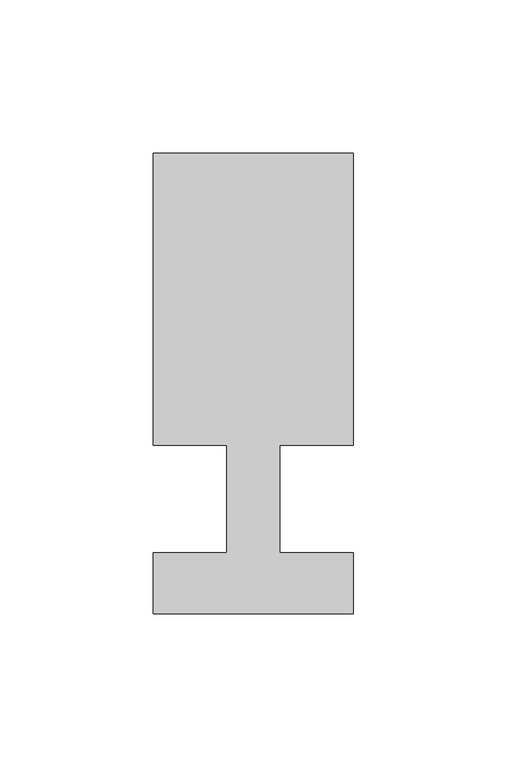
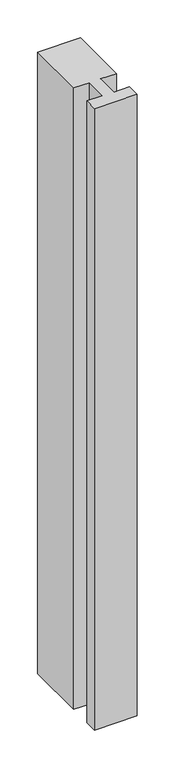
"""IFC4 building model written with IfcOpenShell, lengths in millimetres: member geometry."""

import ifcopenshell
import ifcopenshell.guid

model = None  # the IFC model being written
_history = None  # IfcOwnerHistory: only IFC2X3 demands one
_inside = {}  # id of a spatial element -> (the spatial element, [elements in it])
_under = {}  # id of a project, library or spatial element -> (it, [spatial elements below it])
_declared = {}  # id of a project -> (the project, [libraries it declares])
_typed = {}  # id of a type object -> (the type object, [elements of that type])
_made_of = {}  # id of a material, layer set ... -> (it, [elements and type objects made of it])


def new_model(schema):
    """Start an empty IFC model of exactly this schema.

    Asked for "IFC4X3", IfcOpenShell would pick the latest addendum, in which some entities
    have other attributes; the version numbers below select the first issue.
    IFC2X3 requires an IfcOwnerHistory on every rooted entity: one is made here for all.
    """
    global model, _history
    if schema == "IFC4X3":
        model = ifcopenshell.file(schema_version=(4, 3, 0, 0))
    else:
        model = ifcopenshell.file(schema=schema)
    _inside.clear()
    _under.clear()
    _declared.clear()
    _typed.clear()
    _made_of.clear()
    _history = None
    if model.schema == "IFC2X3":
        org = make("IfcOrganization", Name="unknown")
        user = make(
            "IfcPersonAndOrganization",
            ThePerson=make("IfcPerson", FamilyName="unknown"),
            TheOrganization=org,
        )
        app = make(
            "IfcApplication",
            ApplicationDeveloper=org,
            Version="unknown",
            ApplicationFullName="unknown",
            ApplicationIdentifier="unknown",
        )
        _history = make(
            "IfcOwnerHistory",
            OwningUser=user,
            OwningApplication=app,
            ChangeAction="ADDED",
            CreationDate=0,
        )
    return model


def make(cls, **values):
    """One entity of the class cls with the attributes given. An attribute that is None is left unset."""
    return model.create_entity(
        cls, **{name: value for name, value in values.items() if value is not None}
    )


def rooted(cls, **values):
    """An entity with a GlobalId (a new one), such as an element, a storey or a relation."""
    return make(cls, GlobalId=ifcopenshell.guid.new(), OwnerHistory=_history, **values)


def si_unit(unit_type, name, prefix=None):
    """IfcSIUnit, for example si_unit("LENGTHUNIT", "METRE", prefix="MILLI")."""
    return make("IfcSIUnit", UnitType=unit_type, Prefix=prefix, Name=name)


def assignment(units):
    """IfcUnitAssignment: the units of a project."""
    return None if units is None else make("IfcUnitAssignment", Units=units)


def point(xyz):
    """IfcCartesianPoint."""
    return None if xyz is None else make("IfcCartesianPoint", Coordinates=xyz)


def direction(xyz):
    """IfcDirection."""
    return None if xyz is None else make("IfcDirection", DirectionRatios=xyz)


def frame(location, z_axis=None, x_axis=None):
    """IfcAxis2Placement3D, a coordinate frame: its origin and axes. An axis left out is left unset."""
    return make(
        "IfcAxis2Placement3D",
        Location=point(location),
        Axis=direction(z_axis),
        RefDirection=direction(x_axis),
    )


def origin():
    """The frame at (0, 0, 0) with its axes left unset."""
    return frame((0.0, 0.0, 0.0))


def place(relative_to, where):
    """IfcLocalPlacement: puts the frame where relative to a parent placement (None: the world)."""
    return make(
        "IfcLocalPlacement", PlacementRelTo=relative_to, RelativePlacement=where
    )


def context(
    kind, dimensions, precision=None, world=None, true_north=None, identifier=None
):
    """IfcGeometricRepresentationContext, for example the 3D "Model" context."""
    return make(
        "IfcGeometricRepresentationContext",
        ContextIdentifier=identifier,
        ContextType=kind,
        CoordinateSpaceDimension=dimensions,
        Precision=precision,
        WorldCoordinateSystem=world,
        TrueNorth=true_north,
    )


def project(units=None, contexts=None):
    """IfcProject with its units and contexts."""
    return rooted(
        "IfcProject",
        Name="project",
        RepresentationContexts=contexts,
        UnitsInContext=assignment(units),
    )


def spatial(cls, under=None, at=None, **own):
    """A site, building, storey or space (cls), placed at a placement, below another one or the project."""
    s = rooted(cls, ObjectPlacement=at, **own)
    if under is not None:
        _under.setdefault(under.id(), (under, []))[1].append(s)
    return s


def polyline(points):
    """IfcPolyline through the points."""
    return make("IfcPolyline", Points=[point(p) for p in points])


def outline(outer, holes=None, kind="AREA"):
    """IfcArbitraryClosedProfileDef: a profile drawn as a closed curve; with holes, ...WithVoids."""
    if holes is None:
        return make("IfcArbitraryClosedProfileDef", ProfileType=kind, OuterCurve=outer)
    return make(
        "IfcArbitraryProfileDefWithVoids",
        ProfileType=kind,
        OuterCurve=outer,
        InnerCurves=holes,
    )


def extrude(swept, where, along, depth):
    """IfcExtrudedAreaSolid: the profile swept, set in the frame where, extruded along a direction by depth."""
    return make(
        "IfcExtrudedAreaSolid",
        SweptArea=swept,
        Position=where,
        ExtrudedDirection=direction(along),
        Depth=depth,
    )


def shape(context_of_items, identifier, shape_type, items):
    """IfcShapeRepresentation: the items that make up one representation, for example the "Body"."""
    return make(
        "IfcShapeRepresentation",
        ContextOfItems=context_of_items,
        RepresentationIdentifier=identifier,
        RepresentationType=shape_type,
        Items=items,
    )


def source(mapping_origin, context_of_items, identifier, shape_type, items):
    """IfcRepresentationMap: a shape defined once, which mapped items show again and again."""
    return make(
        "IfcRepresentationMap",
        MappingOrigin=mapping_origin,
        MappedRepresentation=shape(context_of_items, identifier, shape_type, items),
    )


def transform(
    local_origin,
    x_axis=None,
    y_axis=None,
    z_axis=None,
    scale=None,
    scale2=None,
    scale3=None,
    uniform=True,
):
    """IfcCartesianTransformationOperator3D, or its non-uniform kind. x_axis, y_axis, z_axis: its Axis1, 2, 3."""
    if uniform:
        return make(
            "IfcCartesianTransformationOperator3D",
            Axis1=direction(x_axis),
            Axis2=direction(y_axis),
            LocalOrigin=point(local_origin),
            Scale=scale,
            Axis3=direction(z_axis),
        )
    return make(
        "IfcCartesianTransformationOperator3DnonUniform",
        Axis1=direction(x_axis),
        Axis2=direction(y_axis),
        LocalOrigin=point(local_origin),
        Scale=scale,
        Axis3=direction(z_axis),
        Scale2=scale2,
        Scale3=scale3,
    )


def mapped(mapping_source, mapping_target):
    """IfcMappedItem: shows the shape of a source again, moved by a transform."""
    return make(
        "IfcMappedItem", MappingSource=mapping_source, MappingTarget=mapping_target
    )


def made_of(thing, what):
    """Note that an element or type object is made of a material, layer set ...; save() writes the relation."""
    if what is not None:
        _made_of.setdefault(what.id(), (what, []))[1].append(thing)
    return thing


def element(
    cls,
    number,
    at=None,
    inside=None,
    cuts=None,
    type_object=None,
    material=None,
    context=None,
    identifier="Body",
    shape_type=None,
    held_by="IfcProductDefinitionShape",
    body=None,
    shapes=None,
    **own,
):
    """One element of the class cls, such as IfcWall. Its Tag is "e" and its number.

    at: its placement. inside: the storey or other place that contains it. cuts: it is an
    opening in that element (IfcRelVoidsElement). A single representation is given by context,
    identifier, shape_type and body (its items); several are given by shapes. held_by: the class
    of the entity that holds the representations. save() writes the other relations.
    """
    e = rooted(cls, Tag="e%d" % number, ObjectPlacement=at, **own)
    if body is not None:
        shapes = [shape(context, identifier, shape_type, body)]
    if shapes is not None:
        e.Representation = make(held_by, Representations=shapes)
    if inside is not None:
        _inside.setdefault(inside.id(), (inside, []))[1].append(e)
    if cuts is not None:
        rooted(
            "IfcRelVoidsElement", RelatingBuildingElement=cuts, RelatedOpeningElement=e
        )
    if type_object is not None:
        _typed.setdefault(type_object.id(), (type_object, []))[1].append(e)
    return made_of(e, material)


def aggregate(whole, parts):
    """IfcRelAggregates: a whole, such as a stair, and the parts it consists of."""
    return rooted("IfcRelAggregates", RelatingObject=whole, RelatedObjects=parts)


def save(model, path):
    """Write the relations noted so far, then the file.

    IfcRelAggregates (storeys below a building ...), IfcRelContainedInSpatialStructure (elements
    in a storey), IfcRelDefinesByType, IfcRelAssociatesMaterial and IfcRelDeclares: one each for
    every whole, place, type object, material and project.
    """
    for whole, parts in _under.values():
        aggregate(whole, parts)
    for where, things in _inside.values():
        rooted(
            "IfcRelContainedInSpatialStructure",
            RelatedElements=things,
            RelatingStructure=where,
        )
    for kind, things in _typed.values():
        rooted("IfcRelDefinesByType", RelatedObjects=things, RelatingType=kind)
    for what, things in _made_of.values():
        rooted("IfcRelAssociatesMaterial", RelatedObjects=things, RelatingMaterial=what)
    for by, libraries in _declared.values():
        rooted("IfcRelDeclares", RelatingContext=by, RelatedDefinitions=libraries)
    model.write(path)


def member_440c3e68(model_context):
    return source(origin(), model_context, "Body", "SweptSolid", [
        extrude(outline(polyline([(0.0, -37.0), (-65.0, -37.0), (-65.0, -17.0), (-41.1875, -17.0), (-41.1875, 18.0), (-65.0, 18.0), (-65.0, 113.0), (0.0, 113.0), (0.0, 18.0), (-23.8125, 18.0), (-23.8125, -17.0), (0.0, -17.0), (0.0, -37.0)])), frame((0.0, 0.0, -1000.8839286), z_axis=(0.0, 0.0, 1.0), x_axis=(1.0, 0.0, 0.0)), (0.0, 0.0, 1.0), 1000.8839286),
    ])


if __name__ == "__main__":
    model = new_model("IFC4")
    model_context = context("Model", 3, world=origin())
    ifc_project = project(units=[si_unit("LENGTHUNIT", "METRE", prefix="MILLI")], contexts=[model_context])
    site = spatial("IfcSite", under=ifc_project)
    building = spatial("IfcBuilding", under=site)
    placement = place(None, origin())
    member_shape = member_440c3e68(model_context)
    element("IfcMember", 1, at=placement, inside=building, context=model_context, shape_type="MappedRepresentation", body=[
        mapped(member_shape, transform((0.0, 0.0, 0.0), x_axis=(1.0, 0.0, 0.0), y_axis=(0.0, 1.0, 0.0), z_axis=(0.0, 0.0, 1.0))),
    ])
    save(model, "model.ifc")
